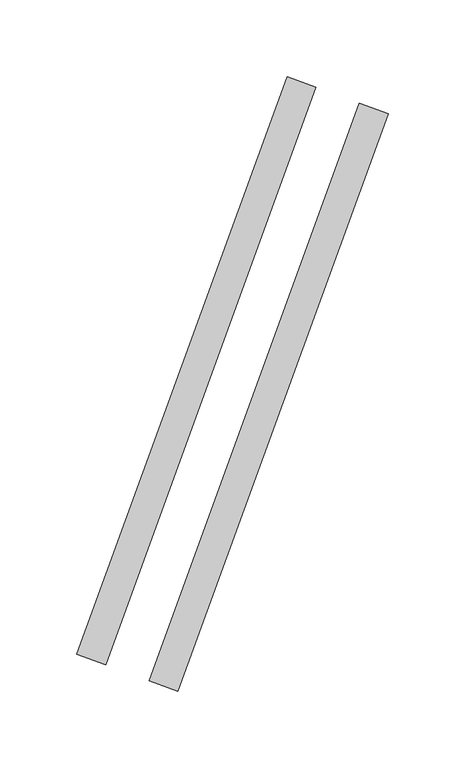
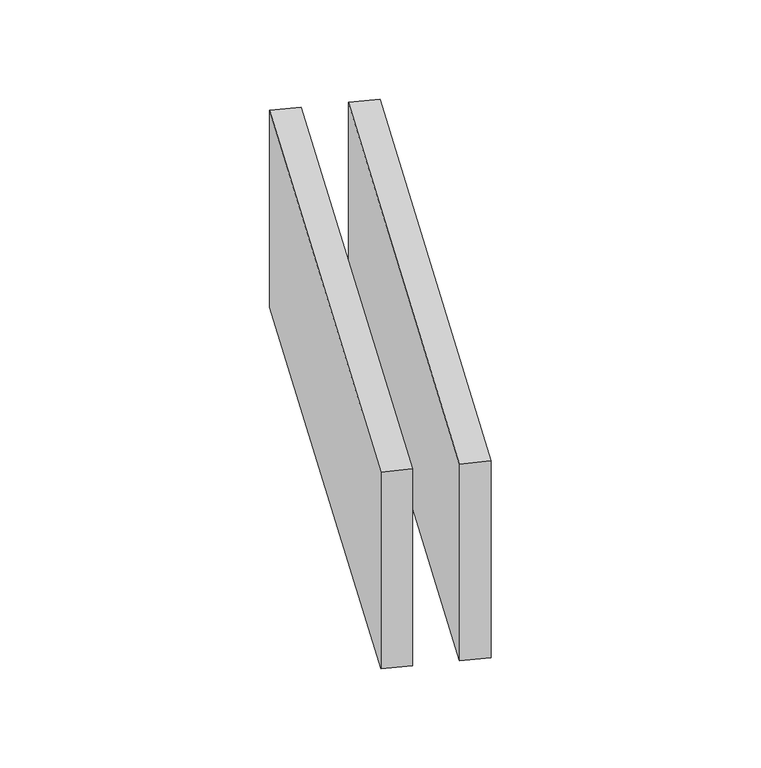
"""IFC4 building model written with IfcOpenShell, lengths in millimetres: proxy geometry."""

from ifc_helpers import new_model, si_unit, origin, origin_with_axes, place, context, project, spatial, polyline, outline, extrude, source, transform, mapped, element, save


def generic_models_9df1e602(model_context):
    return source(origin(), model_context, "Body", "SweptSolid", [
        extrude(outline(polyline([(150.9034466, 370.7467462), (169.6972991, 363.9063433), (32.8892417, -11.970705), (14.0953893, -5.1303021), (150.9034466, 370.7467462)])), origin_with_axes(), (0.0, 0.0, 1.0), 150.0),
        extrude(outline(polyline([(103.9188156, 387.8477533), (122.712668, 381.0073505), (-14.0953893, 5.1303021), (-32.8892417, 11.970705), (103.9188156, 387.8477533)])), origin_with_axes(), (0.0, 0.0, 1.0), 150.0),
    ])


if __name__ == "__main__":
    model = new_model("IFC4")
    model_context = context("Model", 3, world=origin())
    ifc_project = project(units=[si_unit("LENGTHUNIT", "METRE", prefix="MILLI")], contexts=[model_context])
    site = spatial("IfcSite", under=ifc_project)
    building = spatial("IfcBuilding", under=site)
    placement = place(None, origin())
    generic_models_shape = generic_models_9df1e602(model_context)
    element("IfcBuildingElementProxy", 1, Name="Generic Models", at=placement, inside=building, context=model_context, shape_type="MappedRepresentation", body=[
        mapped(generic_models_shape, transform((0.0, 0.0, 0.0), x_axis=(1.0, 0.0, 0.0), y_axis=(0.0, 1.0, 0.0), z_axis=(0.0, 0.0, 1.0))),
    ])
    save(model, "model.ifc")
